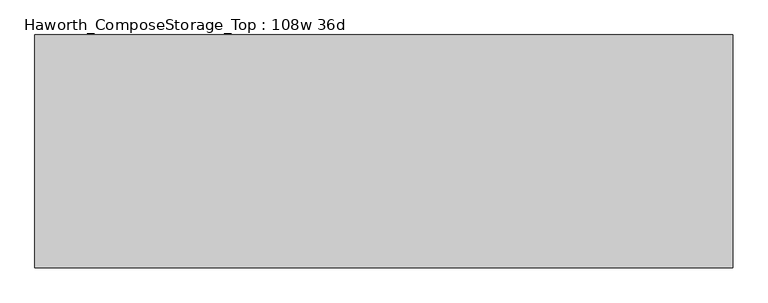
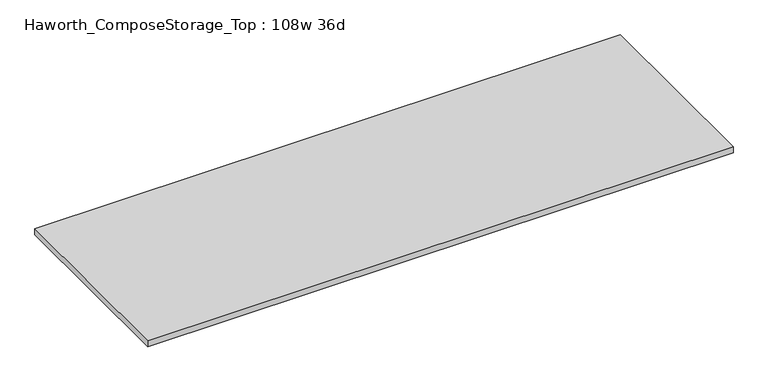
"""IFC4 building model written with IfcOpenShell, lengths in millimetres: furniture geometry, Haworth_ComposeStorage_Top : 108w 36d."""

from ifc_helpers import new_model, si_unit, frame, origin, place, context, project, spatial, polyline, outline, extrude, source, transform, mapped, element, save


def haworth_composestorage_top_108w_36d_2f75c613(model_context):
    return source(origin(), model_context, "Body", "SweptSolid", [
        extrude(outline(polyline([(1371.6, 457.2), (1371.6, -457.2), (-1371.6, -457.2), (-1371.6, 457.2), (1371.6, 457.2)])), frame((0.0, 0.0, 706.4375), z_axis=(0.0, 0.0, 1.0), x_axis=(1.0, 0.0, 0.0)), (0.0, 0.0, 1.0), 30.1625),
    ])


if __name__ == "__main__":
    model = new_model("IFC4")
    model_context = context("Model", 3, world=origin())
    ifc_project = project(units=[si_unit("LENGTHUNIT", "METRE", prefix="MILLI")], contexts=[model_context])
    site = spatial("IfcSite", under=ifc_project)
    building = spatial("IfcBuilding", under=site)
    placement = place(None, origin())
    haworth_composestorage_top_108w_36d_shape = haworth_composestorage_top_108w_36d_2f75c613(model_context)
    element("IfcFurniture", 1, ObjectType="Haworth_ComposeStorage_Top : 108w 36d", at=placement, inside=building, context=model_context, shape_type="MappedRepresentation", body=[
        mapped(haworth_composestorage_top_108w_36d_shape, transform((0.0, 0.0, 0.0), x_axis=(1.0, 0.0, 0.0), y_axis=(0.0, 1.0, 0.0), z_axis=(0.0, 0.0, 1.0))),
    ])
    save(model, "model.ifc")
